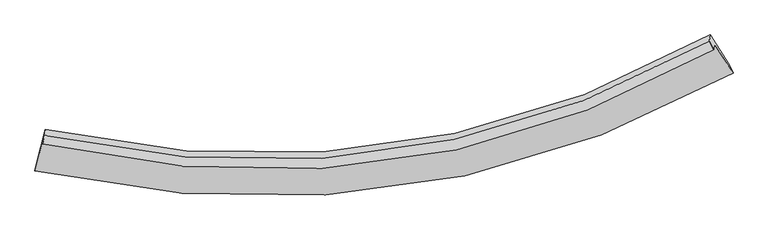
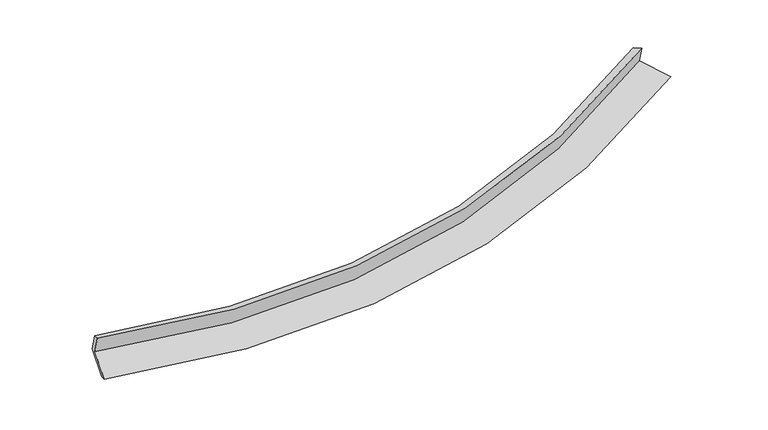
"""IFC4 building model written with IfcOpenShell, lengths in millimetres: proxy geometry."""

from ifc_helpers import new_model, si_unit, frame, origin, place, context, project, spatial, source, transform, mapped, element, save
from ifc_brep_helpers import plane_surface, spline_curve, spline_surface, advanced_brep


def generic_models_cb1f8f6a(model_context):
    return source(origin(), model_context, "Body", "AdvancedBrep", [
        advanced_brep(
        [(-6836.1915781, -2056.6910718, 1491.3111684), (-6994.2016657, -2677.4841121, 1296.0979204), (6152.4872616, -837.298449, 2396.5154227), (5799.0921306, -284.2545476, 2550.9139026), (-6850.7172066, -2168.6842084, 1859.2152751), (5785.1389718, -391.8339217, 2904.3185372), (-6813.7176255, -2010.7543171, 1816.654509), (5704.5442569, -228.3655286, 2839.3163549), (-6798.823313, -1895.9186136, 1439.4124012), (5719.5603315, -112.5910349, 2458.9902658), (-6956.530475, -2515.5215142, 1244.573402), (6079.7155506, -676.2141017, 2301.6383005)],
        [
            (0, 1),
            (1, 2, spline_curve(3, [(-6994.2016657, -2677.4841121, 1296.0979204), (-4171.875317706, -3298.951185723, 1203.248934224), (-1472.394877218, -3330.661044331, 1296.611446309), (2842.925622351, -2396.049183835, 1764.839070464), (4525.674824427, -1750.94410383, 2038.282391674), (6152.4872616, -837.298449, 2396.5154227)], [4, 2, 4], [0.0, 26.09651468071924, 43.70616916889796])),
            (2, 3),
            (3, 0, spline_curve(3, [(5799.0921306, -284.2545476, 2550.9139026), (4238.094109442, -1173.775631447, 2202.623087617), (2622.315279171, -1800.810119646, 1937.324739316), (-1523.919517754, -2705.59742643, 1484.851822601), (-4119.901923828, -2669.37511288, 1396.949260272), (-6836.1915781, -2056.6910718, 1491.3111684)], [4, 2, 4], [0.0, 17.60965448817872, 43.70616916889796])),
            (4, 0),
            (3, 5),
            (5, 4, spline_curve(3, [(5785.1389718, -391.8339217, 2904.3185372), (4223.633823802, -1285.264975252, 2568.872204289), (2607.521215264, -1914.872905109, 2312.027764537), (-1539.111758118, -2822.730162517, 1869.63981977), (-4134.951208993, -2785.40566151, 1778.11650498), (-6850.7172066, -2168.6842084, 1859.2152751)], [4, 2, 4], [0.0, 17.266556427269506, 42.85461913413235])),
            (6, 4),
            (5, 7),
            (7, 6, spline_curve(3, [(5704.5442569, -228.3655286, 2839.3163549), (4157.243182777, -1105.85455256, 2506.93782939), (2555.97496669, -1726.243356964, 2253.13950063), (-1552.225828709, -2627.905134512, 1818.257981085), (-4123.711573228, -2601.645925521, 1731.16902706), (-6813.7176255, -2010.7543171, 1816.654509)], [4, 2, 4], [0.0, 17.18286747039602, 42.64690786363941])),
            (8, 6),
            (7, 9),
            (9, 8, spline_curve(3, [(5719.5603315, -112.5910349, 2458.9902658), (4172.158557348, -990.856460603, 2129.16226644), (2570.823625452, -1611.75964709, 1877.053712239), (-1537.458408334, -2514.047770839, 1444.22977926), (-4108.918024633, -2487.587111099, 1356.479046096), (-6798.823313, -1895.9186136, 1439.4124012)], [4, 2, 4], [0.0, 17.099267499582776, 42.439417451528755])),
            (10, 8),
            (9, 11),
            (11, 10, spline_curve(3, [(6079.7155506, -676.2141017, 2301.6383005), (4463.467548219, -1574.389616922, 1963.031306423), (2793.002569044, -2210.210107894, 1703.652398138), (-1487.560766836, -3137.130330977, 1256.528217243), (-4162.511129061, -3114.412310716, 1163.552159571), (-6956.530475, -2515.5215142, 1244.573402)], [4, 2, 4], [0.0, 17.44377279175217, 43.2944601549074])),
            (1, 10),
            (11, 2),
        ],
        [
            spline_surface(3, 3, [[(-6836.1915781, -2056.6910718, 1491.3111684), (-4119.901924163, -2669.375112757, 1396.949259976), (-1523.919518166, -2705.597426155, 1484.851822925), (2622.315279449, -1800.810119832, 1937.324739097), (4238.094109685, -1173.775631675, 2202.623087544), (5799.0921306, -284.2545476, 2550.9139026)], [(-6888.861607295, -2263.622085258, 1426.24008572), (-4137.226388652, -2879.233803789, 1332.382484655), (-1506.74463787, -2913.951965631, 1422.10503087), (2695.85206042, -1999.223141093, 1879.829516147), (4333.954347935, -1366.165122389, 2147.842855565), (5916.890507598, -468.602514747, 2499.447742629)], [(-6941.531636505, -2470.553098642, 1361.16900308), (-4154.550853158, -3089.092494747, 1267.815709375), (-1489.569757556, -3122.306505137, 1359.358238763), (2769.388841409, -2197.636162384, 1822.334293145), (4429.814586193, -1558.554613063, 2093.062623599), (6034.688884602, -652.950481853, 2447.981582671)], [(-6994.2016657, -2677.4841121, 1296.0979204), (-4171.875317647, -3298.951185779, 1203.248934054), (-1472.39487726, -3330.661044612, 1296.611446708), (2842.92562238, -2396.049183645, 1764.839070195), (4525.674824443, -1750.944103776, 2038.282391619), (6152.4872616, -837.298449, 2396.5154227)]], [4, 4], [4, 2, 4], [0.0, 2.1318697382873206], [0.0, 26.09651468071924, 43.70616916889796]),
            spline_surface(3, 3, [[(-6850.7172066, -2168.6842084, 1859.2152751), (-4134.951209282, -2785.405661385, 1778.116505025), (-1539.111758189, -2822.730162415, 1869.639819599), (2607.521215313, -1914.872905178, 2312.027764653), (4223.6338237, -1285.264975249, 2568.872204132), (5785.1389718, -391.8339217, 2904.3185372)], [(-6845.875330423, -2131.353162852, 1736.580572871), (-4129.934780899, -2746.728811829, 1651.06075668), (-1534.047678173, -2783.685916997, 1741.377154024), (2612.452570033, -1876.851976731, 2187.126756117), (4228.453919046, -1248.101860723, 2446.789165285), (5789.79002475, -355.974130332, 2786.516992349)], [(-6841.033454277, -2094.022117348, 1613.945870629), (-4124.918352546, -2708.051962314, 1524.005008321), (-1528.983598182, -2744.641671574, 1613.1144885), (2617.383924729, -1838.831048279, 2062.225747632), (4233.27401434, -1210.938746201, 2324.706126391), (5794.44107765, -320.114338968, 2668.715447451)], [(-6836.1915781, -2056.6910718, 1491.3111684), (-4119.901924163, -2669.375112757, 1396.949259976), (-1523.919518166, -2705.597426155, 1484.851822925), (2622.315279449, -1800.810119832, 1937.324739097), (4238.094109685, -1173.775631675, 2202.623087544), (5799.0921306, -284.2545476, 2550.9139026)]], [4, 4], [4, 2, 4], [0.0, 1.3073546773591462], [0.0, 25.588062706862843, 42.85461913413235]),
            spline_surface(3, 3, [[(-6813.7176255, -2010.7543171, 1816.654509), (-4123.711573568, -2601.645925678, 1731.169027378), (-1552.225828911, -2627.905134125, 1818.257980724), (2555.974966827, -1726.243357226, 2253.139500874), (4157.243182948, -1105.854552641, 2506.937829514), (5704.5442569, -228.3655286, 2839.3163549)], [(-6826.050819194, -2063.397614189, 1830.841431031), (-4127.4581188, -2662.899170903, 1746.818186592), (-1547.854472016, -2692.846810235, 1835.38526035), (2573.157049643, -1789.119873224, 2272.768922135), (4179.37339652, -1165.658026846, 2527.582621052), (5731.409161854, -282.854992969, 2860.983748999)], [(-6838.384012906, -2116.040911311, 1845.028353069), (-4131.20466405, -2724.152416161, 1762.467345811), (-1543.483115084, -2757.788486304, 1852.512539973), (2590.339132497, -1851.99638918, 2292.398343392), (4201.503610129, -1225.461501044, 2548.227412594), (5758.274066846, -337.344457331, 2882.651143101)], [(-6850.7172066, -2168.6842084, 1859.2152751), (-4134.951209282, -2785.405661385, 1778.116505025), (-1539.111758189, -2822.730162415, 1869.639819599), (2607.521215313, -1914.872905178, 2312.027764653), (4223.6338237, -1285.264975249, 2568.872204132), (5785.1389718, -391.8339217, 2904.3185372)]], [4, 4], [4, 2, 4], [0.0, 0.6583470293115835], [0.0, 25.464040393243394, 42.64690786363941]),
            spline_surface(3, 3, [[(-6798.823313, -1895.9186136, 1439.4124012), (-4108.918024378, -2487.587111052, 1356.479045679), (-1537.458408241, -2514.047771031, 1444.229779558), (2570.82362539, -1611.759646959, 1877.053712037), (4172.158557415, -990.856460717, 2129.162266371), (5719.5603315, -112.5910349, 2458.9902658)], [(-6803.788083824, -1934.197181451, 1565.159770482), (-4113.849207432, -2525.606715945, 1481.375706261), (-1542.380881798, -2552.00022538, 1568.905846612), (2565.874072535, -1649.920883699, 2002.415641648), (4167.186765944, -1029.189158014, 2255.087454097), (5714.554973319, -151.182532789, 2585.765628845)], [(-6808.752854676, -1972.475749249, 1690.907139718), (-4118.780390514, -2563.626320785, 1606.272366796), (-1547.303355354, -2589.952679776, 1693.58191367), (2560.924519681, -1688.082120486, 2127.777571263), (4162.214974418, -1067.521855345, 2381.012641788), (5709.549615081, -189.774030711, 2712.540991855)], [(-6813.7176255, -2010.7543171, 1816.654509), (-4123.711573568, -2601.645925678, 1731.169027378), (-1552.225828911, -2627.905134125, 1818.257980724), (2555.974966827, -1726.243357226, 2253.139500874), (4157.243182948, -1105.854552641, 2506.937829514), (5704.5442569, -228.3655286, 2839.3163549)]], [4, 4], [4, 2, 4], [0.0, 1.2863115951202237], [0.0, 25.34014995194598, 42.439417451528755]),
            spline_surface(3, 3, [[(-6956.530475, -2515.5215142, 1244.573402), (-4162.511128833, -3114.412310484, 1163.552159478), (-1487.56076641, -3137.130330588, 1256.528217198), (2793.002568756, -2210.210108156, 1703.652398168), (4463.467548181, -1574.389617203, 1963.031306559), (6079.7155506, -676.2141017, 2301.6383005)], [(-6903.961421, -2308.987214008, 1309.519735078), (-4144.646760681, -2905.470577348, 1227.861121556), (-1504.193313677, -2929.436144073, 1319.09540465), (2718.942920977, -2010.726621094, 1761.452836123), (4366.364551252, -1379.878565056, 2018.40829314), (5959.663810893, -488.339746115, 2354.088955577)], [(-6851.392367, -2102.452913792, 1374.466068122), (-4126.78239253, -2696.528844189, 1292.170083601), (-1520.825860974, -2721.741957547, 1381.662592107), (2644.883273169, -1811.243134021, 1819.253274083), (4269.261554344, -1185.367512864, 2073.78527979), (5839.612071207, -300.465390485, 2406.539610723)], [(-6798.823313, -1895.9186136, 1439.4124012), (-4108.918024378, -2487.587111052, 1356.479045679), (-1537.458408241, -2514.047771031, 1444.229779558), (2570.82362539, -1611.759646959, 1877.053712037), (4172.158557415, -990.856460717, 2129.162266371), (5719.5603315, -112.5910349, 2458.9902658)]], [4, 4], [4, 2, 4], [0.0, 2.1309243737862635], [0.0, 25.850687363155227, 43.2944601549074]),
            spline_surface(3, 3, [[(-6994.2016657, -2677.4841121, 1296.0979204), (-4171.875317647, -3298.951185779, 1203.248934054), (-1472.39487726, -3330.661044612, 1296.611446708), (2842.92562238, -2396.049183645, 1764.839070195), (4525.674824443, -1750.944103776, 2038.282391619), (6152.4872616, -837.298449, 2396.5154227)], [(-6981.644602164, -2623.496579442, 1278.923080918), (-4168.753921406, -3237.438227323, 1190.016675846), (-1477.450173643, -3266.150806611, 1283.250370206), (2826.284604506, -2334.102825156, 1744.443512854), (4504.939065675, -1692.092608233, 2013.1986966), (6128.230024586, -783.603666548, 2364.889715301)], [(-6969.087538536, -2569.509046858, 1261.748241482), (-4165.632525073, -3175.92526894, 1176.784417686), (-1482.505470027, -3201.64056859, 1269.8892937), (2809.64358663, -2272.156466646, 1724.047955509), (4484.203306949, -1633.241112746, 1988.115001578), (6103.972787614, -729.908884152, 2333.264007899)], [(-6956.530475, -2515.5215142, 1244.573402), (-4162.511128833, -3114.412310484, 1163.552159478), (-1487.56076641, -3137.130330588, 1256.528217198), (2793.002568756, -2210.210108156, 1703.652398168), (4463.467548181, -1574.389617203, 1963.031306559), (6079.7155506, -676.2141017, 2301.6383005)]], [4, 4], [4, 2, 4], [0.0, 0.6482893644385893], [0.0, 26.48304250036989, 44.353521908557795]),
            plane_surface(frame((5873.4230838, -421.7595973, 2575.2821306), z_axis=(0.8507909101986169, 0.4924287365048745, 0.18349050816764967), x_axis=(-0.037743946231067485, -0.2910072303467141, 0.9559760386164712))),
            plane_surface(frame((-6875.0303107, -2220.8423062, 1524.5441127), z_axis=(-0.9710314899411433, 0.23656683551357258, 0.03367458801199588), x_axis=(0.2359517748727366, 0.9270118252865025, 0.29150615038690436))),
        ],
        [
            (0, [[1, 2, 3, 4]]),
            (1, [[5, -4, 6, 7]]),
            (2, [[8, -7, 9, 10]]),
            (3, [[11, -10, 12, 13]]),
            (4, [[14, -13, 15, 16]]),
            (5, [[17, -16, 18, -2]]),
            (6, [[-12, -9, -6, -3, -18, -15]]),
            (7, [[-1, -5, -8, -11, -14, -17]]),
        ],
    ),
    ])


if __name__ == "__main__":
    model = new_model("IFC4")
    model_context = context("Model", 3, world=origin())
    ifc_project = project(units=[si_unit("LENGTHUNIT", "METRE", prefix="MILLI")], contexts=[model_context])
    site = spatial("IfcSite", under=ifc_project)
    building = spatial("IfcBuilding", under=site)
    placement = place(None, origin())
    generic_models_shape = generic_models_cb1f8f6a(model_context)
    element("IfcBuildingElementProxy", 1, Name="Generic Models", at=placement, inside=building, context=model_context, shape_type="MappedRepresentation", body=[
        mapped(generic_models_shape, transform((0.0, 0.0, 0.0), x_axis=(1.0, 0.0, 0.0), y_axis=(0.0, 1.0, 0.0), z_axis=(0.0, 0.0, 1.0))),
    ])
    save(model, "model.ifc")
